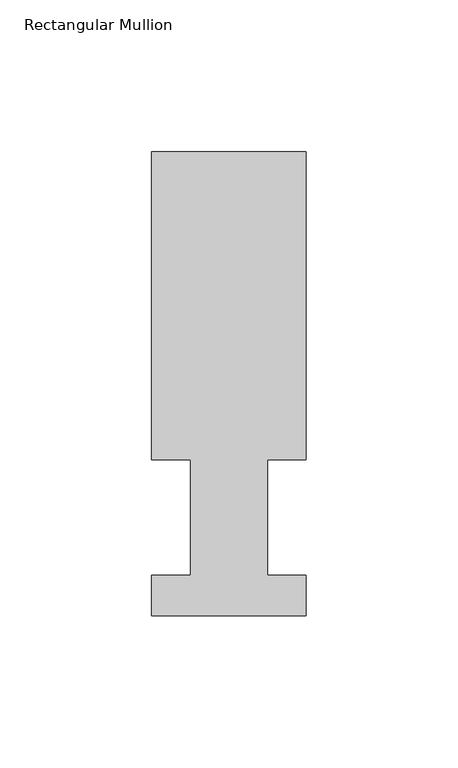
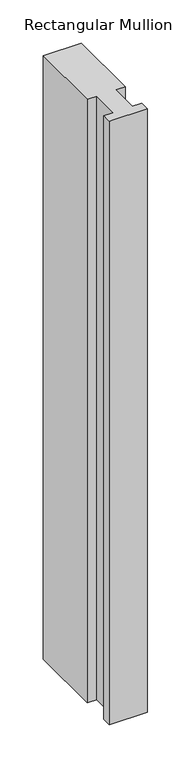
"""IFC4 building model written with IfcOpenShell, lengths in millimetres: member geometry, Rectangular Mullion."""

from ifc_helpers import new_model, si_unit, frame, origin, place, context, project, spatial, polyline, outline, extrude, source, transform, mapped, element, save


def rectangular_mullion_2b719f01(model_context):
    return source(origin(), model_context, "Body", "SweptSolid", [
        extrude(outline(polyline([(-25.4, 152.4988119), (25.4, 152.4988119), (25.4, 51.2960938), (12.7, 51.2960938), (12.7, 13.1960938), (25.4, 13.1960938), (25.4, 0.0134937), (-25.4, 0.0134937), (-25.4, 13.1960938), (-12.7, 13.1960938), (-12.7, 51.2960938), (-25.4, 51.2960938), (-25.4, 152.4988119)])), frame((0.0, 0.0, -850.9), z_axis=(0.0, 0.0, 1.0), x_axis=(1.0, 0.0, 0.0)), (0.0, 0.0, 1.0), 850.9),
    ])


if __name__ == "__main__":
    model = new_model("IFC4")
    model_context = context("Model", 3, world=origin())
    ifc_project = project(units=[si_unit("LENGTHUNIT", "METRE", prefix="MILLI")], contexts=[model_context])
    site = spatial("IfcSite", under=ifc_project)
    building = spatial("IfcBuilding", under=site)
    placement = place(None, origin())
    rectangular_mullion_shape = rectangular_mullion_2b719f01(model_context)
    element("IfcMember", 1, ObjectType="Rectangular Mullion", at=placement, inside=building, context=model_context, shape_type="MappedRepresentation", body=[
        mapped(rectangular_mullion_shape, transform((0.0, 0.0, 0.0), x_axis=(1.0, 0.0, 0.0), y_axis=(0.0, 1.0, 0.0), z_axis=(0.0, 0.0, 1.0))),
    ])
    save(model, "model.ifc")
